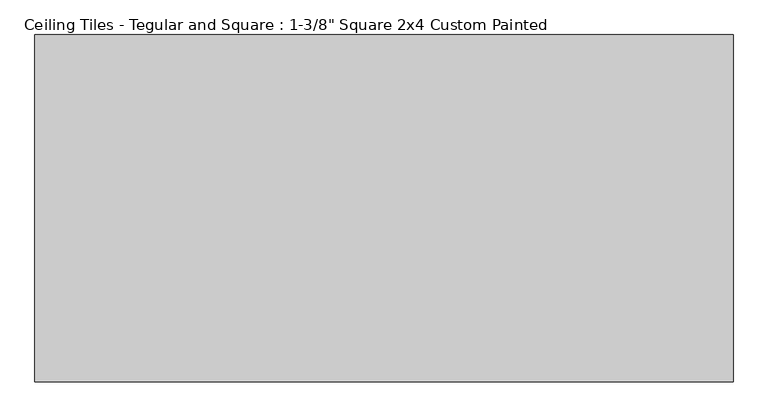
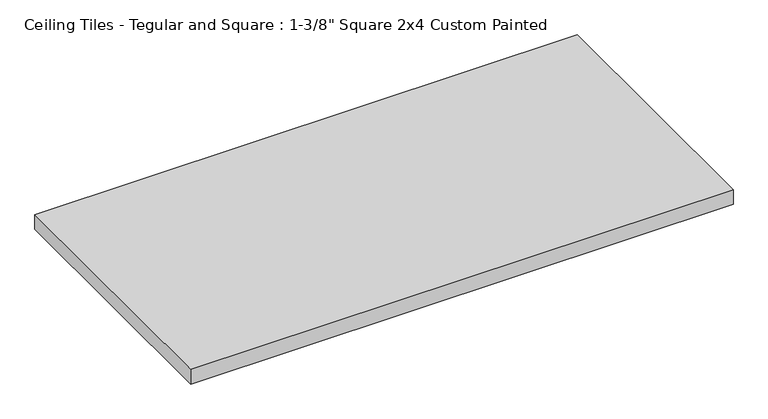
"""IFC4 building model written with IfcOpenShell, lengths in millimetres: proxy geometry."""

import ifcopenshell
import ifcopenshell.guid

model = None  # the IFC model being written
_history = None  # IfcOwnerHistory: only IFC2X3 demands one
_inside = {}  # id of a spatial element -> (the spatial element, [elements in it])
_under = {}  # id of a project, library or spatial element -> (it, [spatial elements below it])
_declared = {}  # id of a project -> (the project, [libraries it declares])
_typed = {}  # id of a type object -> (the type object, [elements of that type])
_made_of = {}  # id of a material, layer set ... -> (it, [elements and type objects made of it])


def new_model(schema):
    """Start an empty IFC model of exactly this schema.

    Asked for "IFC4X3", IfcOpenShell would pick the latest addendum, in which some entities
    have other attributes; the version numbers below select the first issue.
    IFC2X3 requires an IfcOwnerHistory on every rooted entity: one is made here for all.
    """
    global model, _history
    if schema == "IFC4X3":
        model = ifcopenshell.file(schema_version=(4, 3, 0, 0))
    else:
        model = ifcopenshell.file(schema=schema)
    _inside.clear()
    _under.clear()
    _declared.clear()
    _typed.clear()
    _made_of.clear()
    _history = None
    if model.schema == "IFC2X3":
        org = make("IfcOrganization", Name="unknown")
        user = make(
            "IfcPersonAndOrganization",
            ThePerson=make("IfcPerson", FamilyName="unknown"),
            TheOrganization=org,
        )
        app = make(
            "IfcApplication",
            ApplicationDeveloper=org,
            Version="unknown",
            ApplicationFullName="unknown",
            ApplicationIdentifier="unknown",
        )
        _history = make(
            "IfcOwnerHistory",
            OwningUser=user,
            OwningApplication=app,
            ChangeAction="ADDED",
            CreationDate=0,
        )
    return model


def make(cls, **values):
    """One entity of the class cls with the attributes given. An attribute that is None is left unset."""
    return model.create_entity(
        cls, **{name: value for name, value in values.items() if value is not None}
    )


def rooted(cls, **values):
    """An entity with a GlobalId (a new one), such as an element, a storey or a relation."""
    return make(cls, GlobalId=ifcopenshell.guid.new(), OwnerHistory=_history, **values)


def si_unit(unit_type, name, prefix=None):
    """IfcSIUnit, for example si_unit("LENGTHUNIT", "METRE", prefix="MILLI")."""
    return make("IfcSIUnit", UnitType=unit_type, Prefix=prefix, Name=name)


def assignment(units):
    """IfcUnitAssignment: the units of a project."""
    return None if units is None else make("IfcUnitAssignment", Units=units)


def point(xyz):
    """IfcCartesianPoint."""
    return None if xyz is None else make("IfcCartesianPoint", Coordinates=xyz)


def direction(xyz):
    """IfcDirection."""
    return None if xyz is None else make("IfcDirection", DirectionRatios=xyz)


def frame(location, z_axis=None, x_axis=None):
    """IfcAxis2Placement3D, a coordinate frame: its origin and axes. An axis left out is left unset."""
    return make(
        "IfcAxis2Placement3D",
        Location=point(location),
        Axis=direction(z_axis),
        RefDirection=direction(x_axis),
    )


def origin():
    """The frame at (0, 0, 0) with its axes left unset."""
    return frame((0.0, 0.0, 0.0))


def origin_with_axes():
    """The frame at (0, 0, 0) with the z axis (0, 0, 1) and the x axis (1, 0, 0) written out."""
    return frame((0.0, 0.0, 0.0), z_axis=(0.0, 0.0, 1.0), x_axis=(1.0, 0.0, 0.0))


def place(relative_to, where):
    """IfcLocalPlacement: puts the frame where relative to a parent placement (None: the world)."""
    return make(
        "IfcLocalPlacement", PlacementRelTo=relative_to, RelativePlacement=where
    )


def context(
    kind, dimensions, precision=None, world=None, true_north=None, identifier=None
):
    """IfcGeometricRepresentationContext, for example the 3D "Model" context."""
    return make(
        "IfcGeometricRepresentationContext",
        ContextIdentifier=identifier,
        ContextType=kind,
        CoordinateSpaceDimension=dimensions,
        Precision=precision,
        WorldCoordinateSystem=world,
        TrueNorth=true_north,
    )


def project(units=None, contexts=None):
    """IfcProject with its units and contexts."""
    return rooted(
        "IfcProject",
        Name="project",
        RepresentationContexts=contexts,
        UnitsInContext=assignment(units),
    )


def spatial(cls, under=None, at=None, **own):
    """A site, building, storey or space (cls), placed at a placement, below another one or the project."""
    s = rooted(cls, ObjectPlacement=at, **own)
    if under is not None:
        _under.setdefault(under.id(), (under, []))[1].append(s)
    return s


def polyline(points):
    """IfcPolyline through the points."""
    return make("IfcPolyline", Points=[point(p) for p in points])


def outline(outer, holes=None, kind="AREA"):
    """IfcArbitraryClosedProfileDef: a profile drawn as a closed curve; with holes, ...WithVoids."""
    if holes is None:
        return make("IfcArbitraryClosedProfileDef", ProfileType=kind, OuterCurve=outer)
    return make(
        "IfcArbitraryProfileDefWithVoids",
        ProfileType=kind,
        OuterCurve=outer,
        InnerCurves=holes,
    )


def extrude(swept, where, along, depth):
    """IfcExtrudedAreaSolid: the profile swept, set in the frame where, extruded along a direction by depth."""
    return make(
        "IfcExtrudedAreaSolid",
        SweptArea=swept,
        Position=where,
        ExtrudedDirection=direction(along),
        Depth=depth,
    )


def shape(context_of_items, identifier, shape_type, items):
    """IfcShapeRepresentation: the items that make up one representation, for example the "Body"."""
    return make(
        "IfcShapeRepresentation",
        ContextOfItems=context_of_items,
        RepresentationIdentifier=identifier,
        RepresentationType=shape_type,
        Items=items,
    )


def source(mapping_origin, context_of_items, identifier, shape_type, items):
    """IfcRepresentationMap: a shape defined once, which mapped items show again and again."""
    return make(
        "IfcRepresentationMap",
        MappingOrigin=mapping_origin,
        MappedRepresentation=shape(context_of_items, identifier, shape_type, items),
    )


def transform(
    local_origin,
    x_axis=None,
    y_axis=None,
    z_axis=None,
    scale=None,
    scale2=None,
    scale3=None,
    uniform=True,
):
    """IfcCartesianTransformationOperator3D, or its non-uniform kind. x_axis, y_axis, z_axis: its Axis1, 2, 3."""
    if uniform:
        return make(
            "IfcCartesianTransformationOperator3D",
            Axis1=direction(x_axis),
            Axis2=direction(y_axis),
            LocalOrigin=point(local_origin),
            Scale=scale,
            Axis3=direction(z_axis),
        )
    return make(
        "IfcCartesianTransformationOperator3DnonUniform",
        Axis1=direction(x_axis),
        Axis2=direction(y_axis),
        LocalOrigin=point(local_origin),
        Scale=scale,
        Axis3=direction(z_axis),
        Scale2=scale2,
        Scale3=scale3,
    )


def mapped(mapping_source, mapping_target):
    """IfcMappedItem: shows the shape of a source again, moved by a transform."""
    return make(
        "IfcMappedItem", MappingSource=mapping_source, MappingTarget=mapping_target
    )


def made_of(thing, what):
    """Note that an element or type object is made of a material, layer set ...; save() writes the relation."""
    if what is not None:
        _made_of.setdefault(what.id(), (what, []))[1].append(thing)
    return thing


def element(
    cls,
    number,
    at=None,
    inside=None,
    cuts=None,
    type_object=None,
    material=None,
    context=None,
    identifier="Body",
    shape_type=None,
    held_by="IfcProductDefinitionShape",
    body=None,
    shapes=None,
    **own,
):
    """One element of the class cls, such as IfcWall. Its Tag is "e" and its number.

    at: its placement. inside: the storey or other place that contains it. cuts: it is an
    opening in that element (IfcRelVoidsElement). A single representation is given by context,
    identifier, shape_type and body (its items); several are given by shapes. held_by: the class
    of the entity that holds the representations. save() writes the other relations.
    """
    e = rooted(cls, Tag="e%d" % number, ObjectPlacement=at, **own)
    if body is not None:
        shapes = [shape(context, identifier, shape_type, body)]
    if shapes is not None:
        e.Representation = make(held_by, Representations=shapes)
    if inside is not None:
        _inside.setdefault(inside.id(), (inside, []))[1].append(e)
    if cuts is not None:
        rooted(
            "IfcRelVoidsElement", RelatingBuildingElement=cuts, RelatedOpeningElement=e
        )
    if type_object is not None:
        _typed.setdefault(type_object.id(), (type_object, []))[1].append(e)
    return made_of(e, material)


def aggregate(whole, parts):
    """IfcRelAggregates: a whole, such as a stair, and the parts it consists of."""
    return rooted("IfcRelAggregates", RelatingObject=whole, RelatedObjects=parts)


def save(model, path):
    """Write the relations noted so far, then the file.

    IfcRelAggregates (storeys below a building ...), IfcRelContainedInSpatialStructure (elements
    in a storey), IfcRelDefinesByType, IfcRelAssociatesMaterial and IfcRelDeclares: one each for
    every whole, place, type object, material and project.
    """
    for whole, parts in _under.values():
        aggregate(whole, parts)
    for where, things in _inside.values():
        rooted(
            "IfcRelContainedInSpatialStructure",
            RelatedElements=things,
            RelatingStructure=where,
        )
    for kind, things in _typed.values():
        rooted("IfcRelDefinesByType", RelatedObjects=things, RelatingType=kind)
    for what, things in _made_of.values():
        rooted("IfcRelAssociatesMaterial", RelatedObjects=things, RelatingMaterial=what)
    for by, libraries in _declared.values():
        rooted("IfcRelDeclares", RelatingContext=by, RelatedDefinitions=libraries)
    model.write(path)


def proxy_6aae4c18(model_context):
    return source(origin(), model_context, "Body", "SweptSolid", [
        extrude(outline(polyline([(-606.425, 301.625), (606.425, 301.625), (606.425, -301.625), (-606.425, -301.625), (-606.425, 301.625)])), origin_with_axes(), (0.0, 0.0, 1.0), 34.925),
    ])


if __name__ == "__main__":
    model = new_model("IFC4")
    model_context = context("Model", 3, world=origin())
    ifc_project = project(units=[si_unit("LENGTHUNIT", "METRE", prefix="MILLI")], contexts=[model_context])
    site = spatial("IfcSite", under=ifc_project)
    building = spatial("IfcBuilding", under=site)
    placement = place(None, origin())
    proxy_shape = proxy_6aae4c18(model_context)
    element("IfcBuildingElementProxy", 1, Name="Ceiling Tiles - Tegular and Square : 1-3/8\" Square 2x4 Custom Painted", ObjectType="Ceiling Tiles - Tegular and Square : 1-3/8\" Square 2x4 Custom Painted", at=placement, inside=building, context=model_context, shape_type="MappedRepresentation", body=[
        mapped(proxy_shape, transform((0.0, 0.0, 0.0), x_axis=(1.0, 0.0, 0.0), y_axis=(0.0, 1.0, 0.0), z_axis=(0.0, 0.0, 1.0))),
    ])
    save(model, "model.ifc")
